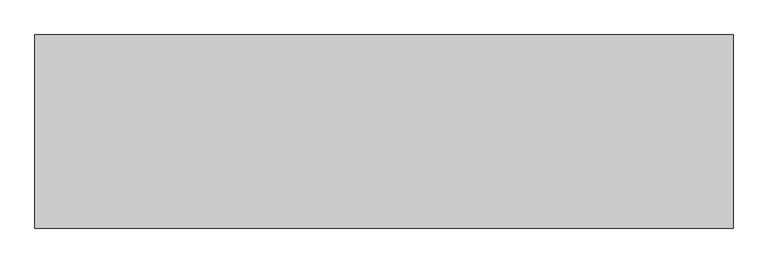
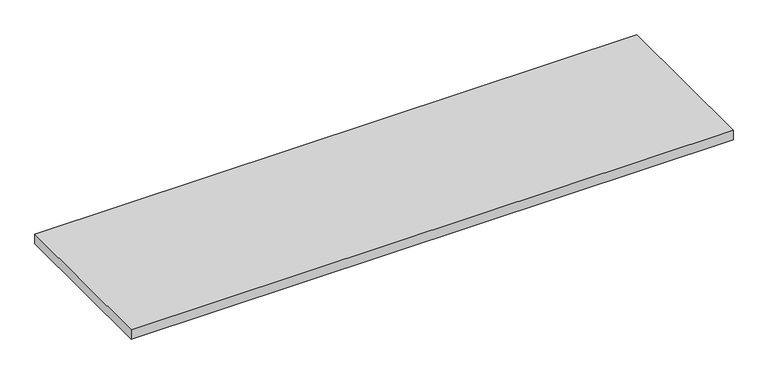
"""IFC4 building model written with IfcOpenShell, lengths in millimetres: furniture geometry."""

from ifc_helpers import new_model, si_unit, frame, origin, place, context, project, spatial, polyline, outline, extrude, source, transform, mapped, element, save


def furniture_11147445(model_context):
    return source(origin(), model_context, "Body", "SweptSolid", [
        extrude(outline(polyline([(1065.276, 833.501), (1065.276, 328.549), (-760.476, 328.549), (-760.476, 833.501), (1065.276, 833.501)])), frame((0.0, 0.0, 935.609), z_axis=(0.0, 0.0, 1.0), x_axis=(1.0, 0.0, 0.0)), (0.0, 0.0, 1.0), 29.591),
    ])


if __name__ == "__main__":
    model = new_model("IFC4")
    model_context = context("Model", 3, world=origin())
    ifc_project = project(units=[si_unit("LENGTHUNIT", "METRE", prefix="MILLI")], contexts=[model_context])
    site = spatial("IfcSite", under=ifc_project)
    building = spatial("IfcBuilding", under=site)
    placement = place(None, origin())
    furniture_shape = furniture_11147445(model_context)
    element("IfcFurniture", 1, at=placement, inside=building, context=model_context, shape_type="MappedRepresentation", body=[
        mapped(furniture_shape, transform((0.0, 0.0, 0.0), x_axis=(1.0, 0.0, 0.0), y_axis=(0.0, 1.0, 0.0), z_axis=(0.0, 0.0, 1.0))),
    ])
    save(model, "model.ifc")
